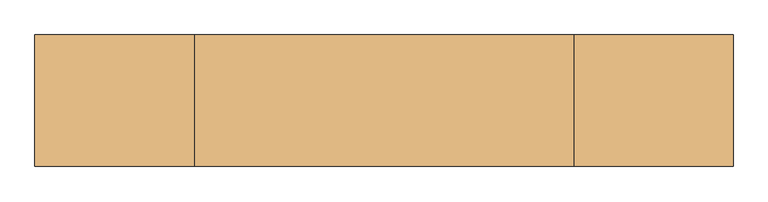
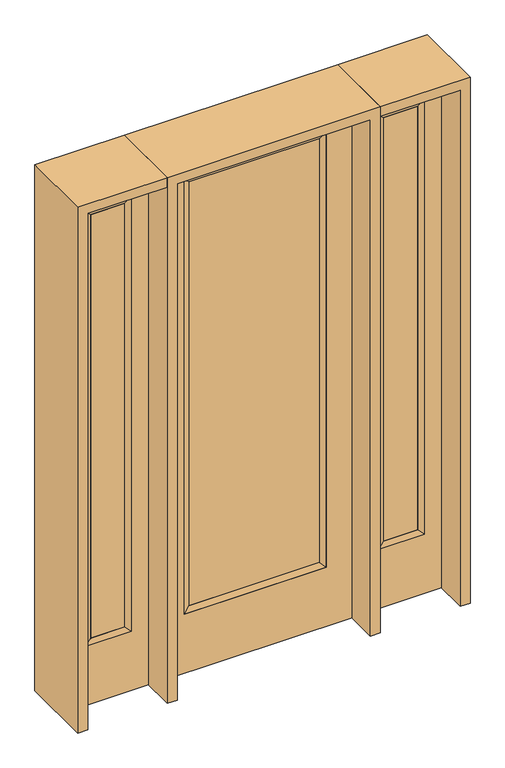
"""IFC4 building model written with IfcOpenShell, lengths in millimetres: door geometry."""

from ifc_helpers import new_model, si_unit, frame, origin, place, context, project, spatial, polyline, outline, extrude, faceted_brep, source, transform, mapped, element, save


def door_c418a529(model_context):
    return source(origin(), model_context, "Body", "SolidModel", [
        extrude(outline(polyline([(290.9824, -12.7039749), (-290.9824, -12.7039749), (-290.9824, 14.2875), (290.9824, 14.2875), (290.9824, -12.7039749)])), frame((0.0, 0.0, 304.8), z_axis=(0.0, 0.0, 1.0), x_axis=(1.0, 0.0, 0.0)), (0.0, 0.0, 1.0), 2000.25),
        faceted_brep([(290.9824, 14.2875, 2305.05), (316.3824, 22.225, 2330.45), (316.3824, 22.225, 279.4), (290.9824, 14.2875, 304.8), (316.3824, -22.225, 2330.45), (316.3824, -22.225, 279.4), (-316.3824, 22.225, 279.4), (-290.9824, 14.2875, 304.8), (290.9824, -12.7039749, 2305.05), (290.9824, -12.7039749, 304.8), (-290.9824, -12.7039749, 304.8), (-316.3824, -22.225, 279.4), (-316.3824, 22.225, 2330.45), (-290.9824, 14.2875, 2305.05), (-290.9824, -12.7039749, 2305.05), (-316.3824, -22.225, 2330.45)], [[[0, 1, 2, 3]], [[1, 4, 5, 2]], [[3, 2, 6, 7]], [[8, 0, 3, 9]], [[9, 3, 7, 10]], [[4, 8, 9, 5]], [[5, 9, 10, 11]], [[2, 5, 11, 6]], [[7, 6, 12, 13]], [[10, 7, 13, 14]], [[11, 10, 14, 15]], [[6, 11, 15, 12]], [[13, 12, 1, 0]], [[14, 13, 0, 8]], [[15, 14, 8, 4]], [[12, 15, 4, 1]]]),
        extrude(outline(polyline([(0.0, -431.8), (0.0, 431.8), (2438.4, 431.8), (2438.4, -431.8), (0.0, -431.8)]), holes=[polyline([(279.4, -316.3824), (2330.45, -316.3824), (2330.45, 316.3824), (279.4, 316.3824), (279.4, -316.3824)])]), frame((0.0, -22.225, 0.0), z_axis=(0.0, 1.0, 0.0), x_axis=(0.0, 0.0, 1.0)), (0.0, 0.0, 1.0), 44.45),
        faceted_brep([(552.45, 20.6375, 2330.45), (552.45, 20.6375, 279.4), (552.45, -20.6375, 279.4), (552.45, -20.6375, 2330.45), (577.85, -12.7, 304.8), (577.85, -12.7, 2305.05), (755.65, 20.6375, 279.4), (755.65, -20.6375, 279.4), (577.85, 12.7, 2305.05), (577.85, 12.7, 304.8), (730.25, 12.7, 304.8), (730.25, -12.7, 304.8), (755.65, 20.6375, 2330.45), (755.65, -20.6375, 2330.45), (730.25, 12.7, 2305.05), (730.25, -12.7, 2305.05)], [[[0, 1, 2, 3]], [[3, 2, 4, 5]], [[1, 6, 7, 2]], [[8, 9, 1, 0]], [[9, 10, 6, 1]], [[5, 4, 9, 8]], [[4, 11, 10, 9]], [[2, 7, 11, 4]], [[6, 12, 13, 7]], [[10, 14, 12, 6]], [[11, 15, 14, 10]], [[7, 13, 15, 11]], [[12, 0, 3, 13]], [[14, 8, 0, 12]], [[15, 5, 8, 14]], [[13, 3, 5, 15]]]),
        extrude(outline(polyline([(0.0, 831.85), (2438.4, 831.85), (2438.4, 476.25), (0.0, 476.25), (0.0, 831.85)]), holes=[polyline([(2330.45, 552.45), (2330.45, 755.65), (279.4, 755.65), (279.4, 552.45), (2330.45, 552.45)])]), frame((0.0, -20.6375, 0.0), z_axis=(0.0, 1.0, 0.0), x_axis=(0.0, 0.0, 1.0)), (0.0, 0.0, 1.0), 41.275),
        extrude(outline(polyline([(577.85, -12.7), (577.85, 12.7), (730.25, 12.7), (730.25, -12.7), (577.85, -12.7)])), frame((0.0, 0.0, 301.625), z_axis=(0.0, 0.0, 1.0), x_axis=(1.0, 0.0, 0.0)), (0.0, 0.0, 1.0), 2003.425),
        faceted_brep([(-552.45, 20.6375, 2330.45), (-552.45, -20.6375, 2330.45), (-552.45, -20.6375, 279.4), (-552.45, 20.6375, 279.4), (-577.85, -12.7, 2305.05), (-577.85, -12.7, 304.8), (-755.65, -20.6375, 279.4), (-755.65, 20.6375, 279.4), (-577.85, 12.7, 2305.05), (-577.85, 12.7, 304.8), (-730.25, 12.7, 304.8), (-730.25, -12.7, 304.8), (-755.65, -20.6375, 2330.45), (-755.65, 20.6375, 2330.45), (-730.25, 12.7, 2305.05), (-730.25, -12.7, 2305.05)], [[[0, 1, 2, 3]], [[1, 4, 5, 2]], [[3, 2, 6, 7]], [[8, 0, 3, 9]], [[9, 3, 7, 10]], [[4, 8, 9, 5]], [[5, 9, 10, 11]], [[2, 5, 11, 6]], [[7, 6, 12, 13]], [[10, 7, 13, 14]], [[11, 10, 14, 15]], [[6, 11, 15, 12]], [[13, 12, 1, 0]], [[14, 13, 0, 8]], [[15, 14, 8, 4]], [[12, 15, 4, 1]]]),
        extrude(outline(polyline([(0.0, -831.85), (0.0, -476.25), (2438.4, -476.25), (2438.4, -831.85), (0.0, -831.85)]), holes=[polyline([(2330.45, -552.45), (279.4, -552.45), (279.4, -755.65), (2330.45, -755.65), (2330.45, -552.45)])]), frame((0.0, -20.6375, 0.0), z_axis=(0.0, 1.0, 0.0), x_axis=(0.0, 0.0, 1.0)), (0.0, 0.0, 1.0), 41.275),
        extrude(outline(polyline([(-577.85, -12.7), (-730.25, -12.7), (-730.25, 12.7), (-577.85, 12.7), (-577.85, -12.7)])), frame((0.0, 0.0, 301.625), z_axis=(0.0, 0.0, 1.0), x_axis=(1.0, 0.0, 0.0)), (0.0, 0.0, 1.0), 2003.425),
        extrude(outline(polyline([(2438.4, -476.25), (2482.85, -476.25), (2482.85, -876.3), (0.0, -876.3), (0.0, -831.85), (2438.4, -831.85), (2438.4, -476.25)])), frame((0.0, -165.1, 0.0), z_axis=(0.0, 1.0, 0.0), x_axis=(0.0, 0.0, 1.0)), (0.0, 0.0, 1.0), 330.2),
        extrude(outline(polyline([(2482.85, -476.25), (0.0, -476.25), (0.0, -431.8), (2438.4, -431.8), (2438.4, 431.8), (0.0, 431.8), (0.0, 476.25), (2482.85, 476.25), (2482.85, -476.25)])), frame((0.0, -165.1, 0.0), z_axis=(0.0, 1.0, 0.0), x_axis=(0.0, 0.0, 1.0)), (0.0, 0.0, 1.0), 330.2),
        extrude(outline(polyline([(0.0, 831.85), (0.0, 876.3), (2482.85, 876.3), (2482.85, 476.25), (2438.4, 476.25), (2438.4, 831.85), (0.0, 831.85)])), frame((0.0, -165.1, 0.0), z_axis=(0.0, 1.0, 0.0), x_axis=(0.0, 0.0, 1.0)), (0.0, 0.0, 1.0), 330.2),
    ])


if __name__ == "__main__":
    model = new_model("IFC4")
    model_context = context("Model", 3, world=origin())
    ifc_project = project(units=[si_unit("LENGTHUNIT", "METRE", prefix="MILLI")], contexts=[model_context])
    site = spatial("IfcSite", under=ifc_project)
    building = spatial("IfcBuilding", under=site)
    placement = place(None, origin())
    door_shape = door_c418a529(model_context)
    element("IfcDoor", 1, at=placement, inside=building, context=model_context, shape_type="MappedRepresentation", body=[
        mapped(door_shape, transform((0.0, 0.0, 0.0), x_axis=(1.0, 0.0, 0.0), y_axis=(0.0, 1.0, 0.0), z_axis=(0.0, 0.0, 1.0))),
    ])
    save(model, "model.ifc")
